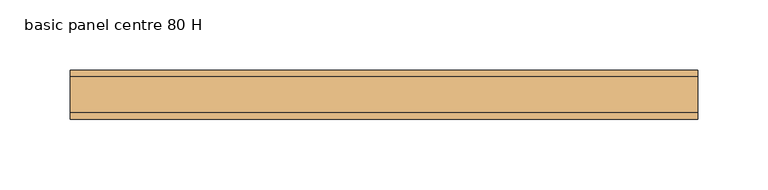
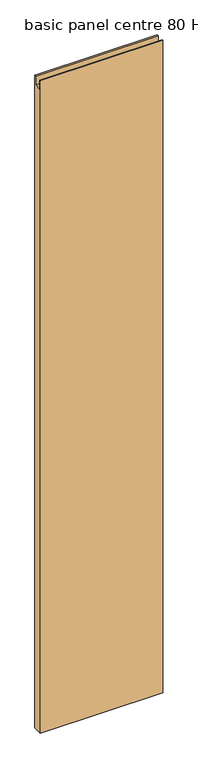
"""IFC4 building model written with IfcOpenShell, lengths in millimetres: door geometry, basic panel centre 80 H."""

from ifc_helpers import new_model, si_unit, frame, origin, place, context, project, spatial, polyline, outline, extrude, source, transform, mapped, element, save


def basic_panel_centre_80_h_2070f207(model_context):
    return source(origin(), model_context, "Body", "SweptSolid", [
        extrude(outline(polyline([(17.5, 11.0), (-17.5, 11.0), (-17.5, 2531.0), (-13.0, 2531.0), (-13.0, 2497.0), (13.0, 2497.0), (13.0, 2531.0), (17.5, 2531.0), (17.5, 11.0)])), frame((-223.8181818, 0.0, 0.0), z_axis=(1.0, 0.0, 0.0), x_axis=(0.0, 1.0, 0.0)), (0.0, 0.0, 1.0), 447.6363636),
    ])


if __name__ == "__main__":
    model = new_model("IFC4")
    model_context = context("Model", 3, world=origin())
    ifc_project = project(units=[si_unit("LENGTHUNIT", "METRE", prefix="MILLI")], contexts=[model_context])
    site = spatial("IfcSite", under=ifc_project)
    building = spatial("IfcBuilding", under=site)
    placement = place(None, origin())
    basic_panel_centre_80_h_shape = basic_panel_centre_80_h_2070f207(model_context)
    element("IfcDoor", 1, ObjectType="basic panel centre 80 H", at=placement, inside=building, context=model_context, shape_type="MappedRepresentation", body=[
        mapped(basic_panel_centre_80_h_shape, transform((0.0, 0.0, 0.0), x_axis=(1.0, 0.0, 0.0), y_axis=(0.0, 1.0, 0.0), z_axis=(0.0, 0.0, 1.0))),
    ])
    save(model, "model.ifc")
